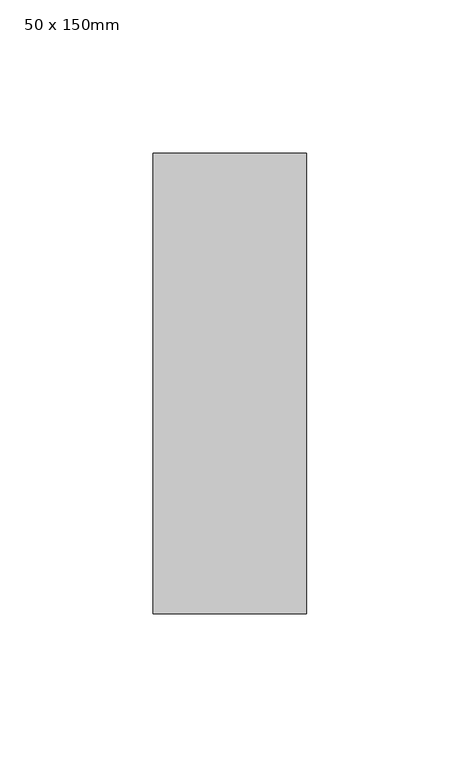
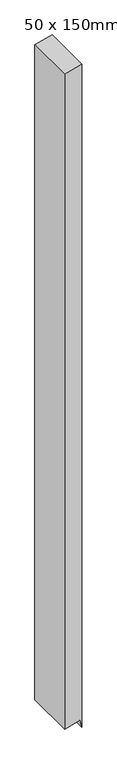
"""IFC4 building model written with IfcOpenShell, lengths in millimetres: member geometry, 50 x 150mm."""

import ifcopenshell
import ifcopenshell.guid

model = None  # the IFC model being written
_history = None  # IfcOwnerHistory: only IFC2X3 demands one
_inside = {}  # id of a spatial element -> (the spatial element, [elements in it])
_under = {}  # id of a project, library or spatial element -> (it, [spatial elements below it])
_declared = {}  # id of a project -> (the project, [libraries it declares])
_typed = {}  # id of a type object -> (the type object, [elements of that type])
_made_of = {}  # id of a material, layer set ... -> (it, [elements and type objects made of it])


def new_model(schema):
    """Start an empty IFC model of exactly this schema.

    Asked for "IFC4X3", IfcOpenShell would pick the latest addendum, in which some entities
    have other attributes; the version numbers below select the first issue.
    IFC2X3 requires an IfcOwnerHistory on every rooted entity: one is made here for all.
    """
    global model, _history
    if schema == "IFC4X3":
        model = ifcopenshell.file(schema_version=(4, 3, 0, 0))
    else:
        model = ifcopenshell.file(schema=schema)
    _inside.clear()
    _under.clear()
    _declared.clear()
    _typed.clear()
    _made_of.clear()
    _history = None
    if model.schema == "IFC2X3":
        org = make("IfcOrganization", Name="unknown")
        user = make(
            "IfcPersonAndOrganization",
            ThePerson=make("IfcPerson", FamilyName="unknown"),
            TheOrganization=org,
        )
        app = make(
            "IfcApplication",
            ApplicationDeveloper=org,
            Version="unknown",
            ApplicationFullName="unknown",
            ApplicationIdentifier="unknown",
        )
        _history = make(
            "IfcOwnerHistory",
            OwningUser=user,
            OwningApplication=app,
            ChangeAction="ADDED",
            CreationDate=0,
        )
    return model


def make(cls, **values):
    """One entity of the class cls with the attributes given. An attribute that is None is left unset."""
    return model.create_entity(
        cls, **{name: value for name, value in values.items() if value is not None}
    )


def rooted(cls, **values):
    """An entity with a GlobalId (a new one), such as an element, a storey or a relation."""
    return make(cls, GlobalId=ifcopenshell.guid.new(), OwnerHistory=_history, **values)


def si_unit(unit_type, name, prefix=None):
    """IfcSIUnit, for example si_unit("LENGTHUNIT", "METRE", prefix="MILLI")."""
    return make("IfcSIUnit", UnitType=unit_type, Prefix=prefix, Name=name)


def assignment(units):
    """IfcUnitAssignment: the units of a project."""
    return None if units is None else make("IfcUnitAssignment", Units=units)


def point(xyz):
    """IfcCartesianPoint."""
    return None if xyz is None else make("IfcCartesianPoint", Coordinates=xyz)


def direction(xyz):
    """IfcDirection."""
    return None if xyz is None else make("IfcDirection", DirectionRatios=xyz)


def frame(location, z_axis=None, x_axis=None):
    """IfcAxis2Placement3D, a coordinate frame: its origin and axes. An axis left out is left unset."""
    return make(
        "IfcAxis2Placement3D",
        Location=point(location),
        Axis=direction(z_axis),
        RefDirection=direction(x_axis),
    )


def origin():
    """The frame at (0, 0, 0) with its axes left unset."""
    return frame((0.0, 0.0, 0.0))


def place(relative_to, where):
    """IfcLocalPlacement: puts the frame where relative to a parent placement (None: the world)."""
    return make(
        "IfcLocalPlacement", PlacementRelTo=relative_to, RelativePlacement=where
    )


def context(
    kind, dimensions, precision=None, world=None, true_north=None, identifier=None
):
    """IfcGeometricRepresentationContext, for example the 3D "Model" context."""
    return make(
        "IfcGeometricRepresentationContext",
        ContextIdentifier=identifier,
        ContextType=kind,
        CoordinateSpaceDimension=dimensions,
        Precision=precision,
        WorldCoordinateSystem=world,
        TrueNorth=true_north,
    )


def project(units=None, contexts=None):
    """IfcProject with its units and contexts."""
    return rooted(
        "IfcProject",
        Name="project",
        RepresentationContexts=contexts,
        UnitsInContext=assignment(units),
    )


def spatial(cls, under=None, at=None, **own):
    """A site, building, storey or space (cls), placed at a placement, below another one or the project."""
    s = rooted(cls, ObjectPlacement=at, **own)
    if under is not None:
        _under.setdefault(under.id(), (under, []))[1].append(s)
    return s


def polyline(points):
    """IfcPolyline through the points."""
    return make("IfcPolyline", Points=[point(p) for p in points])


def outline(outer, holes=None, kind="AREA"):
    """IfcArbitraryClosedProfileDef: a profile drawn as a closed curve; with holes, ...WithVoids."""
    if holes is None:
        return make("IfcArbitraryClosedProfileDef", ProfileType=kind, OuterCurve=outer)
    return make(
        "IfcArbitraryProfileDefWithVoids",
        ProfileType=kind,
        OuterCurve=outer,
        InnerCurves=holes,
    )


def extrude(swept, where, along, depth):
    """IfcExtrudedAreaSolid: the profile swept, set in the frame where, extruded along a direction by depth."""
    return make(
        "IfcExtrudedAreaSolid",
        SweptArea=swept,
        Position=where,
        ExtrudedDirection=direction(along),
        Depth=depth,
    )


def shape(context_of_items, identifier, shape_type, items):
    """IfcShapeRepresentation: the items that make up one representation, for example the "Body"."""
    return make(
        "IfcShapeRepresentation",
        ContextOfItems=context_of_items,
        RepresentationIdentifier=identifier,
        RepresentationType=shape_type,
        Items=items,
    )


def source(mapping_origin, context_of_items, identifier, shape_type, items):
    """IfcRepresentationMap: a shape defined once, which mapped items show again and again."""
    return make(
        "IfcRepresentationMap",
        MappingOrigin=mapping_origin,
        MappedRepresentation=shape(context_of_items, identifier, shape_type, items),
    )


def transform(
    local_origin,
    x_axis=None,
    y_axis=None,
    z_axis=None,
    scale=None,
    scale2=None,
    scale3=None,
    uniform=True,
):
    """IfcCartesianTransformationOperator3D, or its non-uniform kind. x_axis, y_axis, z_axis: its Axis1, 2, 3."""
    if uniform:
        return make(
            "IfcCartesianTransformationOperator3D",
            Axis1=direction(x_axis),
            Axis2=direction(y_axis),
            LocalOrigin=point(local_origin),
            Scale=scale,
            Axis3=direction(z_axis),
        )
    return make(
        "IfcCartesianTransformationOperator3DnonUniform",
        Axis1=direction(x_axis),
        Axis2=direction(y_axis),
        LocalOrigin=point(local_origin),
        Scale=scale,
        Axis3=direction(z_axis),
        Scale2=scale2,
        Scale3=scale3,
    )


def mapped(mapping_source, mapping_target):
    """IfcMappedItem: shows the shape of a source again, moved by a transform."""
    return make(
        "IfcMappedItem", MappingSource=mapping_source, MappingTarget=mapping_target
    )


def made_of(thing, what):
    """Note that an element or type object is made of a material, layer set ...; save() writes the relation."""
    if what is not None:
        _made_of.setdefault(what.id(), (what, []))[1].append(thing)
    return thing


def element(
    cls,
    number,
    at=None,
    inside=None,
    cuts=None,
    type_object=None,
    material=None,
    context=None,
    identifier="Body",
    shape_type=None,
    held_by="IfcProductDefinitionShape",
    body=None,
    shapes=None,
    **own,
):
    """One element of the class cls, such as IfcWall. Its Tag is "e" and its number.

    at: its placement. inside: the storey or other place that contains it. cuts: it is an
    opening in that element (IfcRelVoidsElement). A single representation is given by context,
    identifier, shape_type and body (its items); several are given by shapes. held_by: the class
    of the entity that holds the representations. save() writes the other relations.
    """
    e = rooted(cls, Tag="e%d" % number, ObjectPlacement=at, **own)
    if body is not None:
        shapes = [shape(context, identifier, shape_type, body)]
    if shapes is not None:
        e.Representation = make(held_by, Representations=shapes)
    if inside is not None:
        _inside.setdefault(inside.id(), (inside, []))[1].append(e)
    if cuts is not None:
        rooted(
            "IfcRelVoidsElement", RelatingBuildingElement=cuts, RelatedOpeningElement=e
        )
    if type_object is not None:
        _typed.setdefault(type_object.id(), (type_object, []))[1].append(e)
    return made_of(e, material)


def aggregate(whole, parts):
    """IfcRelAggregates: a whole, such as a stair, and the parts it consists of."""
    return rooted("IfcRelAggregates", RelatingObject=whole, RelatedObjects=parts)


def save(model, path):
    """Write the relations noted so far, then the file.

    IfcRelAggregates (storeys below a building ...), IfcRelContainedInSpatialStructure (elements
    in a storey), IfcRelDefinesByType, IfcRelAssociatesMaterial and IfcRelDeclares: one each for
    every whole, place, type object, material and project.
    """
    for whole, parts in _under.values():
        aggregate(whole, parts)
    for where, things in _inside.values():
        rooted(
            "IfcRelContainedInSpatialStructure",
            RelatedElements=things,
            RelatingStructure=where,
        )
    for kind, things in _typed.values():
        rooted("IfcRelDefinesByType", RelatedObjects=things, RelatingType=kind)
    for what, things in _made_of.values():
        rooted("IfcRelAssociatesMaterial", RelatedObjects=things, RelatingMaterial=what)
    for by, libraries in _declared.values():
        rooted("IfcRelDeclares", RelatingContext=by, RelatedDefinitions=libraries)
    model.write(path)


def member_50_x_150mm_63b76935(model_context):
    return source(origin(), model_context, "Body", "SweptSolid", [
        extrude(outline(polyline([(-0.8819045, 0.0), (-14.2793641, -50.0), (-2033.0679159, -50.0), (-2021.4042152, -6.4704761), (-2045.5523608, 0.0), (-0.8819045, 0.0)])), frame((0.0, -75.0, 0.0), z_axis=(0.0, 1.0, 0.0), x_axis=(0.0, 0.0, 1.0)), (0.0, 0.0, 1.0), 150.0),
    ])


if __name__ == "__main__":
    model = new_model("IFC4")
    model_context = context("Model", 3, world=origin())
    ifc_project = project(units=[si_unit("LENGTHUNIT", "METRE", prefix="MILLI")], contexts=[model_context])
    site = spatial("IfcSite", under=ifc_project)
    building = spatial("IfcBuilding", under=site)
    placement = place(None, origin())
    member_50_x_150mm_shape = member_50_x_150mm_63b76935(model_context)
    element("IfcMember", 1, ObjectType="50 x 150mm", at=placement, inside=building, context=model_context, shape_type="MappedRepresentation", body=[
        mapped(member_50_x_150mm_shape, transform((0.0, 0.0, 0.0), x_axis=(1.0, 0.0, 0.0), y_axis=(0.0, 1.0, 0.0), z_axis=(0.0, 0.0, 1.0))),
    ])
    save(model, "model.ifc")
